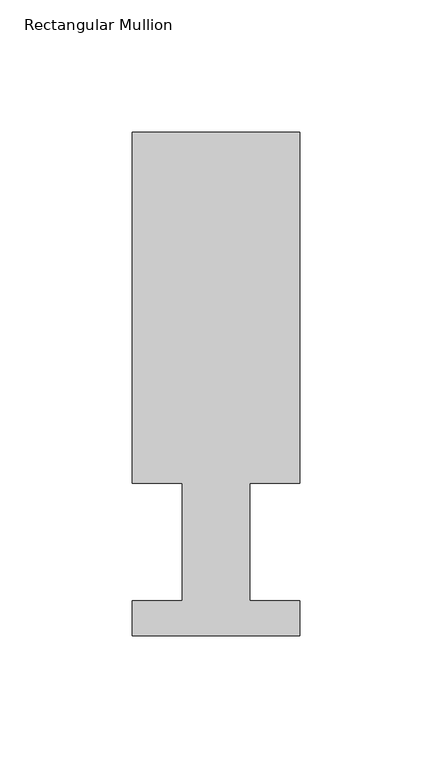
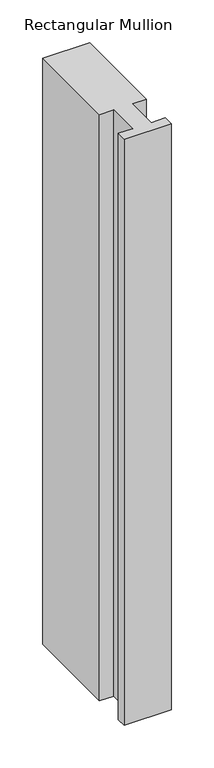
"""IFC4 building model written with IfcOpenShell, lengths in millimetres: member geometry, Rectangular Mullion."""

from ifc_helpers import new_model, si_unit, frame, origin, place, context, project, spatial, polyline, outline, extrude, source, transform, mapped, element, save


def rectangular_mullion_c7061ef5(model_context):
    return source(origin(), model_context, "Body", "SweptSolid", [
        extrude(outline(polyline([(-31.75, 190.5896937), (31.75, 190.5896937), (31.75, 57.6460937), (12.7, 57.6460938), (12.7, 13.1960937), (31.75, 13.1960937), (31.75, 0.0134937), (-31.75, 0.0134937), (-31.75, 13.1960937), (-12.7, 13.1960937), (-12.7, 57.6460937), (-31.75, 57.6460937), (-31.75, 190.5896937)])), frame((0.0, 0.0, -838.2), z_axis=(0.0, 0.0, 1.0), x_axis=(1.0, 0.0, 0.0)), (0.0, 0.0, 1.0), 838.2),
    ])


if __name__ == "__main__":
    model = new_model("IFC4")
    model_context = context("Model", 3, world=origin())
    ifc_project = project(units=[si_unit("LENGTHUNIT", "METRE", prefix="MILLI")], contexts=[model_context])
    site = spatial("IfcSite", under=ifc_project)
    building = spatial("IfcBuilding", under=site)
    placement = place(None, origin())
    rectangular_mullion_shape = rectangular_mullion_c7061ef5(model_context)
    element("IfcMember", 1, ObjectType="Rectangular Mullion", at=placement, inside=building, context=model_context, shape_type="MappedRepresentation", body=[
        mapped(rectangular_mullion_shape, transform((0.0, 0.0, 0.0), x_axis=(1.0, 0.0, 0.0), y_axis=(0.0, 1.0, 0.0), z_axis=(0.0, 0.0, 1.0))),
    ])
    save(model, "model.ifc")
